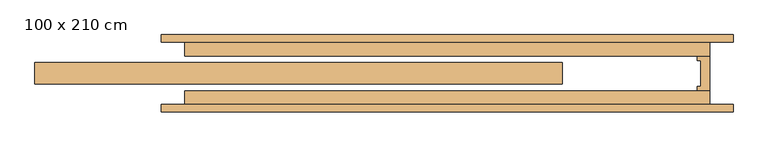
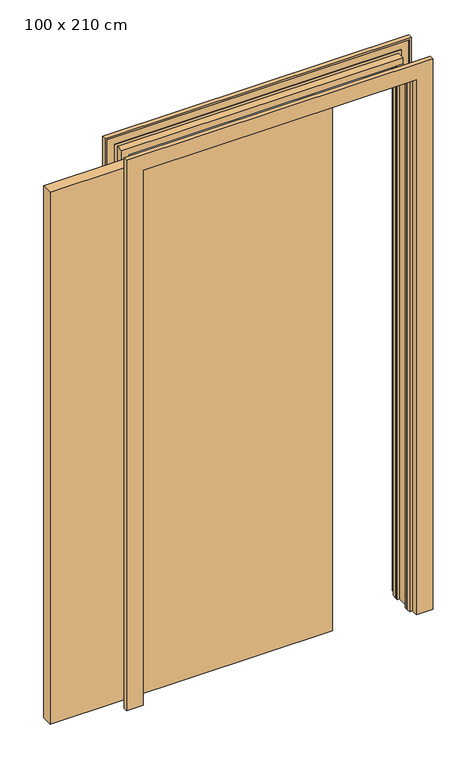
"""IFC4 building model written with IfcOpenShell, lengths in millimetres: door geometry, 100 x 210 cm."""

from ifc_helpers import new_model, si_unit, origin, origin_with_axes, place, context, project, spatial, polyline, outline, extrude, faceted_brep, source, transform, mapped, element, save


def door_100_x_210_cm_823d6be2(model_context):
    return source(origin(), model_context, "Body", "SolidModel", [
        extrude(outline(polyline([(212.8380093, 21.5), (212.8380093, -21.5), (-842.1619907, -21.5), (-842.1619907, 21.5), (212.8380093, 21.5)])), origin_with_axes(), (0.0, 0.0, 1.0), 2100.0),
        extrude(outline(polyline([(507.8380093, 35.0), (507.8380093, -35.0), (482.8380093, -35.0), (482.8380093, -26.0), (490.3380093, -26.0), (490.3380093, 26.0), (482.8380093, 26.0), (482.8380093, 35.0), (507.8380093, 35.0)])), origin_with_axes(), (0.0, 0.0, 1.0), 2100.0),
        faceted_brep([(-589.1619907, -77.5, 0.0), (-589.1619907, -62.5, 0.0), (-582.1679189, -62.5, 0.0), (-582.1679189, -65.5, 0.0), (-552.1619907, -65.5, 0.0), (-552.1619907, -62.5, 0.0), (-542.1619907, -62.5, 0.0), (-542.1619907, -35.0, 0.0), (-517.1619907, -35.0, 0.0), (-517.1619907, -53.5, 0.0), (-527.1619907, -53.5, 0.0), (-527.1619907, -77.5, 0.0), (-589.1619907, -77.5, 2172.0), (-589.1619907, -62.5, 2172.0), (554.8380093, -62.5, 2172.0), (554.8380093, -62.5, 0.0), (547.8439376, -62.5, 0.0), (547.8439376, -62.5, 2165.0059283), (-582.1679189, -62.5, 2165.0059283), (-582.1679189, -65.5, 2165.0059283), (547.8439376, -65.5, 2165.0059283), (547.8439376, -65.5, 0.0), (517.8380093, -65.5, 0.0), (517.8380093, -65.5, 2135.0), (-552.1619907, -65.5, 2135.0), (-552.1619907, -62.5, 2135.0), (517.8380093, -62.5, 2135.0), (517.8380093, -62.5, 0.0), (507.8380093, -62.5, 0.0), (507.8380093, -62.5, 2125.0), (-542.1619907, -62.5, 2125.0), (-542.1619907, -35.0, 2125.0), (507.8380093, -35.0, 2125.0), (507.8380093, -35.0, 0.0), (482.8380093, -35.0, 0.0), (482.8380093, -35.0, 2100.0), (-517.1619907, -35.0, 2100.0), (-517.1619907, -53.5, 2100.0), (482.8380093, -53.5, 2100.0), (482.8380093, -53.5, 0.0), (492.8380093, -53.5, 0.0), (492.8380093, -53.5, 2110.0), (-527.1619907, -53.5, 2110.0), (-527.1619907, -77.5, 2110.0), (492.8380093, -77.5, 2110.0), (492.8380093, -77.5, 0.0), (554.8380093, -77.5, 0.0), (554.8380093, -77.5, 2172.0)], [[[0, 1, 2, 3, 4, 5, 6, 7, 8, 9, 10, 11]], [[1, 0, 12, 13]], [[2, 1, 13, 14, 15, 16, 17, 18]], [[3, 2, 18, 19]], [[4, 3, 19, 20, 21, 22, 23, 24]], [[5, 4, 24, 25]], [[6, 5, 25, 26, 27, 28, 29, 30]], [[7, 6, 30, 31]], [[8, 7, 31, 32, 33, 34, 35, 36]], [[9, 8, 36, 37]], [[10, 9, 37, 38, 39, 40, 41, 42]], [[11, 10, 42, 43]], [[0, 11, 43, 44, 45, 46, 47, 12]], [[14, 47, 46, 15]], [[46, 45, 40, 39, 34, 33, 28, 27, 22, 21, 16, 15]], [[20, 17, 16, 21]], [[26, 23, 22, 27]], [[32, 29, 28, 33]], [[38, 35, 34, 39]], [[44, 41, 40, 45]], [[13, 12, 47, 14]], [[19, 18, 17, 20]], [[25, 24, 23, 26]], [[31, 30, 29, 32]], [[37, 36, 35, 38]], [[43, 42, 41, 44]]]),
        faceted_brep([(-589.1619907, 62.5, 0.0), (-589.1619907, 77.5, 0.0), (-527.1619907, 77.5, 0.0), (-527.1619907, 53.5, 0.0), (-517.1619907, 53.5, 0.0), (-517.1619907, 35.0, 0.0), (-542.1619907, 35.0, 0.0), (-542.1619907, 62.5, 0.0), (-552.1619907, 62.5, 0.0), (-552.1619907, 65.5, 0.0), (-582.0884701, 65.5, 0.0), (-582.0884701, 62.5, 0.0), (-589.1619907, 62.5, 2172.0), (-589.1619907, 77.5, 2172.0), (554.8380093, 77.5, 2172.0), (554.8380093, 77.5, 0.0), (492.8380093, 77.5, 0.0), (492.8380093, 77.5, 2110.0), (-527.1619907, 77.5, 2110.0), (-527.1619907, 53.5, 2110.0), (492.8380093, 53.5, 2110.0), (492.8380093, 53.5, 0.0), (482.8380093, 53.5, 0.0), (482.8380093, 53.5, 2100.0), (-517.1619907, 53.5, 2100.0), (-517.1619907, 35.0, 2100.0), (482.8380093, 35.0, 2100.0), (482.8380093, 35.0, 0.0), (507.8380093, 35.0, 0.0), (507.8380093, 35.0, 2125.0), (-542.1619907, 35.0, 2125.0), (-542.1619907, 62.5, 2125.0), (507.8380093, 62.5, 2125.0), (507.8380093, 62.5, 0.0), (517.8380093, 62.5, 0.0), (517.8380093, 62.5, 2135.0), (-552.1619907, 62.5, 2135.0), (-552.1619907, 65.5, 2135.0), (517.8380093, 65.5, 2135.0), (517.8380093, 65.5, 0.0), (547.7644888, 65.5, 0.0), (547.7644888, 65.5, 2164.9264794), (-582.0884701, 65.5, 2164.9264794), (-582.0884701, 62.5, 2164.9264794), (547.7644888, 62.5, 2164.9264794), (547.7644888, 62.5, 0.0), (554.8380093, 62.5, 0.0), (554.8380093, 62.5, 2172.0)], [[[0, 1, 2, 3, 4, 5, 6, 7, 8, 9, 10, 11]], [[1, 0, 12, 13]], [[2, 1, 13, 14, 15, 16, 17, 18]], [[3, 2, 18, 19]], [[4, 3, 19, 20, 21, 22, 23, 24]], [[5, 4, 24, 25]], [[6, 5, 25, 26, 27, 28, 29, 30]], [[7, 6, 30, 31]], [[8, 7, 31, 32, 33, 34, 35, 36]], [[9, 8, 36, 37]], [[10, 9, 37, 38, 39, 40, 41, 42]], [[11, 10, 42, 43]], [[0, 11, 43, 44, 45, 46, 47, 12]], [[14, 47, 46, 15]], [[46, 45, 40, 39, 34, 33, 28, 27, 22, 21, 16, 15]], [[20, 17, 16, 21]], [[26, 23, 22, 27]], [[32, 29, 28, 33]], [[38, 35, 34, 39]], [[44, 41, 40, 45]], [[13, 12, 47, 14]], [[19, 18, 17, 20]], [[25, 24, 23, 26]], [[31, 30, 29, 32]], [[37, 36, 35, 38]], [[43, 42, 41, 44]]]),
    ])


if __name__ == "__main__":
    model = new_model("IFC4")
    model_context = context("Model", 3, world=origin())
    ifc_project = project(units=[si_unit("LENGTHUNIT", "METRE", prefix="MILLI")], contexts=[model_context])
    site = spatial("IfcSite", under=ifc_project)
    building = spatial("IfcBuilding", under=site)
    placement = place(None, origin())
    door_100_x_210_cm_shape = door_100_x_210_cm_823d6be2(model_context)
    element("IfcDoor", 1, ObjectType="100 x 210 cm", at=placement, inside=building, context=model_context, shape_type="MappedRepresentation", body=[
        mapped(door_100_x_210_cm_shape, transform((0.0, 0.0, 0.0), x_axis=(1.0, 0.0, 0.0), y_axis=(0.0, 1.0, 0.0), z_axis=(0.0, 0.0, 1.0))),
    ])
    save(model, "model.ifc")
